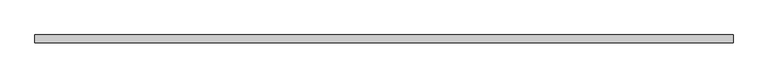
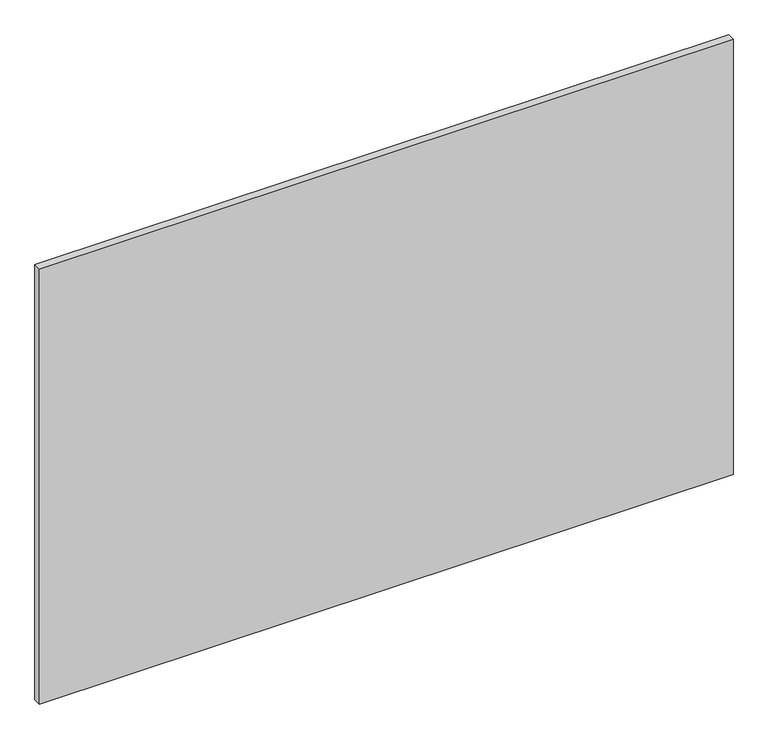
"""IFC4 building model written with IfcOpenShell, lengths in millimetres: plate geometry."""

from ifc_helpers import new_model, si_unit, origin, origin_with_axes, place, context, project, spatial, polyline, outline, extrude, source, transform, mapped, element, save


def plate_87c403fd(model_context):
    return source(origin(), model_context, "Body", "SweptSolid", [
        extrude(outline(polyline([(627.75, -40.2), (-627.75, -40.2), (-627.75, -26.2), (627.75, -26.2), (627.75, -40.2)])), origin_with_axes(), (0.0, 0.0, 1.0), 833.3),
    ])


if __name__ == "__main__":
    model = new_model("IFC4")
    model_context = context("Model", 3, world=origin())
    ifc_project = project(units=[si_unit("LENGTHUNIT", "METRE", prefix="MILLI")], contexts=[model_context])
    site = spatial("IfcSite", under=ifc_project)
    building = spatial("IfcBuilding", under=site)
    placement = place(None, origin())
    plate_shape = plate_87c403fd(model_context)
    element("IfcPlate", 1, at=placement, inside=building, context=model_context, shape_type="MappedRepresentation", body=[
        mapped(plate_shape, transform((0.0, 0.0, 0.0), x_axis=(1.0, 0.0, 0.0), y_axis=(0.0, 1.0, 0.0), z_axis=(0.0, 0.0, 1.0))),
    ])
    save(model, "model.ifc")
